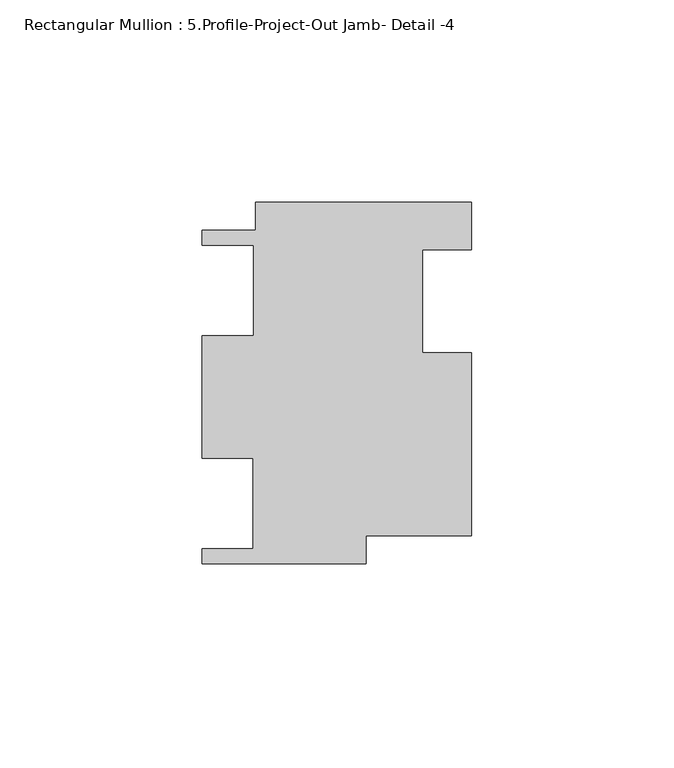
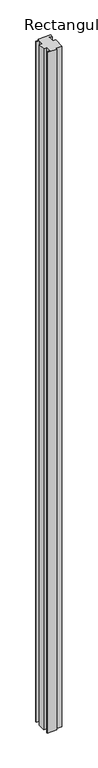
"""IFC4 building model written with IfcOpenShell, lengths in millimetres: member geometry, Rectangular Mullion : 5.Profile-Project-Out Jamb- Detail -4."""

from ifc_helpers import new_model, si_unit, frame, origin, place, context, project, spatial, polyline, outline, extrude, source, transform, mapped, element, save


def rectangular_mullion_5_profile_project_out_jamb_detail_4_23572a79(model_context):
    return source(origin(), model_context, "Body", "SweptSolid", [
        extrude(outline(polyline([(-53.4924, 45.7326731), (0.0, 45.7326731), (0.0, 33.8962731), (-12.2174, 33.8962731), (-12.2174, 8.4962731), (0.0, 8.4962731), (0.0, -36.8173269), (-26.1946205, -36.8173269), (-26.1946205, -43.7261269), (-66.7512, -43.7261269), (-66.7512, -39.9923269), (-54.0512, -39.9923269), (-54.0512, -17.6149269), (-66.6822101, -17.6149269), (-66.6822101, 12.7126731), (-53.9822205, 12.7126731), (-53.9822205, 35.0900731), (-66.7512, 35.0900731), (-66.7512, 38.8238731), (-53.4924, 38.8238731), (-53.4924, 45.7326731)])), frame((0.0, 0.0, -3048.0), z_axis=(0.0, 0.0, 1.0), x_axis=(1.0, 0.0, 0.0)), (0.0, 0.0, 1.0), 3048.0),
    ])


if __name__ == "__main__":
    model = new_model("IFC4")
    model_context = context("Model", 3, world=origin())
    ifc_project = project(units=[si_unit("LENGTHUNIT", "METRE", prefix="MILLI")], contexts=[model_context])
    site = spatial("IfcSite", under=ifc_project)
    building = spatial("IfcBuilding", under=site)
    placement = place(None, origin())
    rectangular_mullion_5_profile_project_out_jamb_detail_4_shape = rectangular_mullion_5_profile_project_out_jamb_detail_4_23572a79(model_context)
    element("IfcMember", 1, ObjectType="Rectangular Mullion : 5.Profile-Project-Out Jamb- Detail -4", at=placement, inside=building, context=model_context, shape_type="MappedRepresentation", body=[
        mapped(rectangular_mullion_5_profile_project_out_jamb_detail_4_shape, transform((0.0, 0.0, 0.0), x_axis=(1.0, 0.0, 0.0), y_axis=(0.0, 1.0, 0.0), z_axis=(0.0, 0.0, 1.0))),
    ])
    save(model, "model.ifc")
